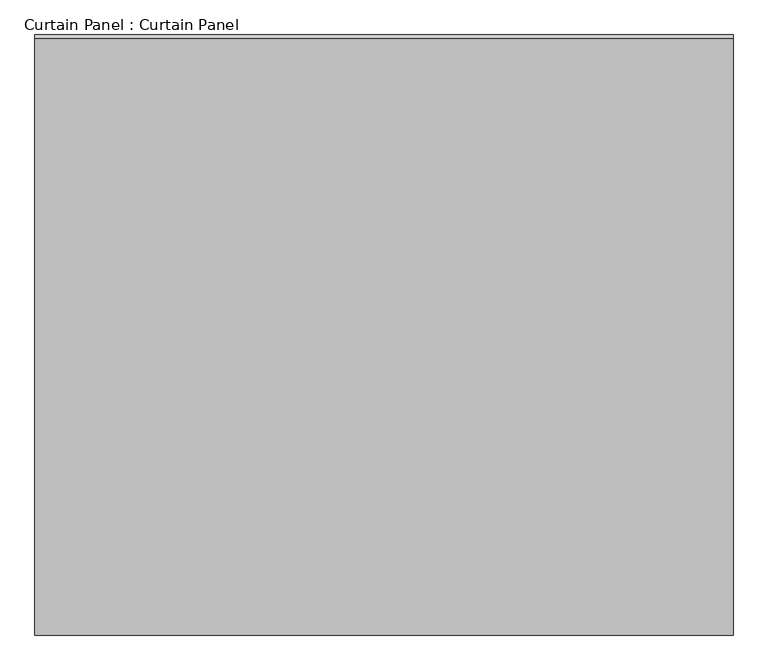
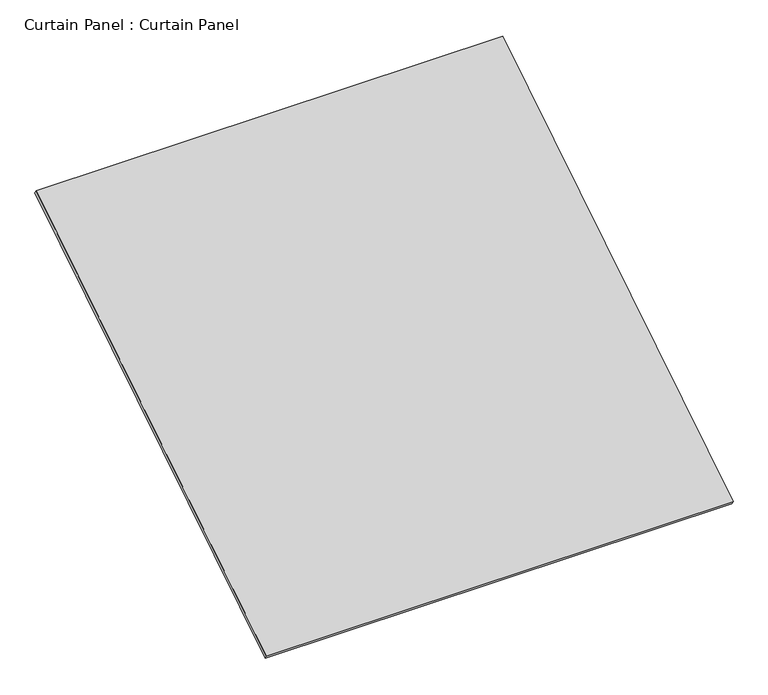
"""IFC4 building model written with IfcOpenShell, lengths in millimetres: plate geometry, Curtain Panel : Curtain Panel."""

from ifc_helpers import new_model, si_unit, frame, origin, place, context, project, spatial, polyline, outline, extrude, source, transform, mapped, element, save


def curtain_panel_curtain_panel_3064d619(model_context):
    return source(origin(), model_context, "Body", "SweptSolid", [
        extrude(outline(polyline([(-63.5, 0.0), (-63.5, -3013.1199652), (-3048.0, -3013.1199652), (-3048.0, 0.0), (-63.5, 0.0)])), frame((-120718.6430895, -1344.8078147, 8803.1977221), z_axis=(0.0, -0.5318918435658209, 0.8468122972348432), x_axis=(-1.0, 0.0, 0.0)), (0.0, 0.0, 1.0), 25.4),
    ])


if __name__ == "__main__":
    model = new_model("IFC4")
    model_context = context("Model", 3, world=origin())
    ifc_project = project(units=[si_unit("LENGTHUNIT", "METRE", prefix="MILLI")], contexts=[model_context])
    site = spatial("IfcSite", under=ifc_project)
    building = spatial("IfcBuilding", under=site)
    placement = place(None, origin())
    curtain_panel_curtain_panel_shape = curtain_panel_curtain_panel_3064d619(model_context)
    element("IfcPlate", 1, ObjectType="Curtain Panel : Curtain Panel", at=placement, inside=building, context=model_context, shape_type="MappedRepresentation", body=[
        mapped(curtain_panel_curtain_panel_shape, transform((0.0, 0.0, 0.0), x_axis=(1.0, 0.0, 0.0), y_axis=(0.0, 1.0, 0.0), z_axis=(0.0, 0.0, 1.0))),
    ])
    save(model, "model.ifc")
